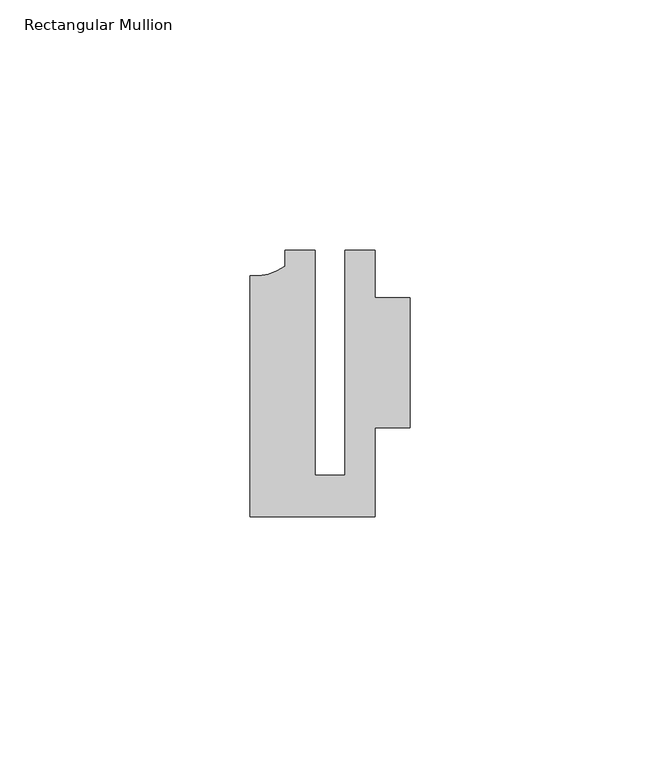
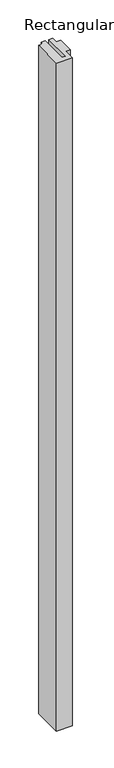
"""IFC4 building model written with IfcOpenShell, lengths in millimetres: member geometry, Rectangular Mullion."""

from ifc_helpers import new_model, si_unit, point, frame, frame_2d, origin, place, context, project, spatial, polyline, circle_curve, trimmed, segment, composite_curve, outline, extrude, source, transform, mapped, element, save


def rectangular_mullion_d377d311(model_context):
    return source(origin(), model_context, "Body", "SweptSolid", [
        extrude(outline(composite_curve([segment(polyline([(-2.9999659, -24.5130805), (2.9999676, -24.5130805), (2.9999676, 20.5039877), (8.9999842, 20.5039877), (8.9999842, 11.0039877), (15.9999391, 11.0039877), (15.9999391, -14.9953356), (9.0, -14.9953356), (9.0, -32.7960123), (-15.9999391, -32.7960123), (-15.9999391, 15.3837352)]), True, "CONTINUOUS"), segment(trimmed(circle_curve(frame_2d((-15.1098019, 25.802169)), 10.4563907), [point((-15.9999391, 15.3837352))], [point((-9.0, 17.3165089))], True, "CARTESIAN"), True, "CONTINUOUS"), segment(polyline([(-9.0, 17.3165089), (-9.0, 20.5039877), (-2.9999659, 20.5039877), (-2.9999659, -24.5130805)]), True, "CONTINUOUS")], self_intersect=False)), frame((0.0, 0.0, -1107.4975005), z_axis=(0.0, 0.0, 1.0), x_axis=(1.0, 0.0, 0.0)), (0.0, 0.0, 1.0), 1107.4975005),
    ])


if __name__ == "__main__":
    model = new_model("IFC4")
    model_context = context("Model", 3, world=origin())
    ifc_project = project(units=[si_unit("LENGTHUNIT", "METRE", prefix="MILLI")], contexts=[model_context])
    site = spatial("IfcSite", under=ifc_project)
    building = spatial("IfcBuilding", under=site)
    placement = place(None, origin())
    rectangular_mullion_shape = rectangular_mullion_d377d311(model_context)
    element("IfcMember", 1, ObjectType="Rectangular Mullion", at=placement, inside=building, context=model_context, shape_type="MappedRepresentation", body=[
        mapped(rectangular_mullion_shape, transform((0.0, 0.0, 0.0), x_axis=(1.0, 0.0, 0.0), y_axis=(0.0, 1.0, 0.0), z_axis=(0.0, 0.0, 1.0))),
    ])
    save(model, "model.ifc")
